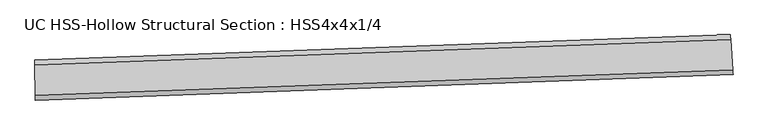
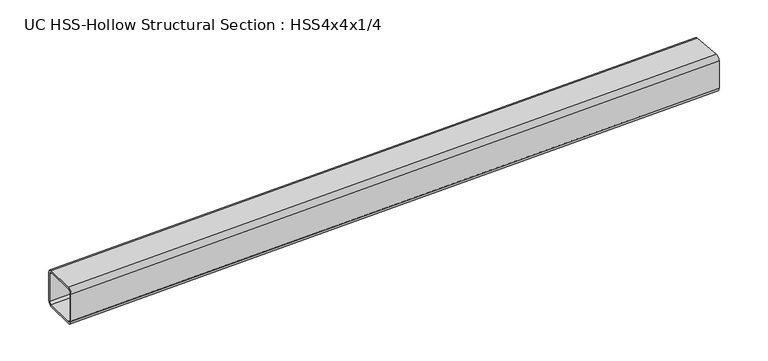
"""IFC4 building model written with IfcOpenShell, lengths in millimetres: beam geometry, UC HSS-Hollow Structural Section : HSS4x4x1/4."""

import ifcopenshell
import ifcopenshell.guid

model = None  # the IFC model being written
_history = None  # IfcOwnerHistory: only IFC2X3 demands one
_inside = {}  # id of a spatial element -> (the spatial element, [elements in it])
_under = {}  # id of a project, library or spatial element -> (it, [spatial elements below it])
_declared = {}  # id of a project -> (the project, [libraries it declares])
_typed = {}  # id of a type object -> (the type object, [elements of that type])
_made_of = {}  # id of a material, layer set ... -> (it, [elements and type objects made of it])


def new_model(schema):
    """Start an empty IFC model of exactly this schema.

    Asked for "IFC4X3", IfcOpenShell would pick the latest addendum, in which some entities
    have other attributes; the version numbers below select the first issue.
    IFC2X3 requires an IfcOwnerHistory on every rooted entity: one is made here for all.
    """
    global model, _history
    if schema == "IFC4X3":
        model = ifcopenshell.file(schema_version=(4, 3, 0, 0))
    else:
        model = ifcopenshell.file(schema=schema)
    _inside.clear()
    _under.clear()
    _declared.clear()
    _typed.clear()
    _made_of.clear()
    _history = None
    if model.schema == "IFC2X3":
        org = make("IfcOrganization", Name="unknown")
        user = make(
            "IfcPersonAndOrganization",
            ThePerson=make("IfcPerson", FamilyName="unknown"),
            TheOrganization=org,
        )
        app = make(
            "IfcApplication",
            ApplicationDeveloper=org,
            Version="unknown",
            ApplicationFullName="unknown",
            ApplicationIdentifier="unknown",
        )
        _history = make(
            "IfcOwnerHistory",
            OwningUser=user,
            OwningApplication=app,
            ChangeAction="ADDED",
            CreationDate=0,
        )
    return model


def make(cls, **values):
    """One entity of the class cls with the attributes given. An attribute that is None is left unset."""
    return model.create_entity(
        cls, **{name: value for name, value in values.items() if value is not None}
    )


def rooted(cls, **values):
    """An entity with a GlobalId (a new one), such as an element, a storey or a relation."""
    return make(cls, GlobalId=ifcopenshell.guid.new(), OwnerHistory=_history, **values)


def si_unit(unit_type, name, prefix=None):
    """IfcSIUnit, for example si_unit("LENGTHUNIT", "METRE", prefix="MILLI")."""
    return make("IfcSIUnit", UnitType=unit_type, Prefix=prefix, Name=name)


def assignment(units):
    """IfcUnitAssignment: the units of a project."""
    return None if units is None else make("IfcUnitAssignment", Units=units)


def point(xyz):
    """IfcCartesianPoint."""
    return None if xyz is None else make("IfcCartesianPoint", Coordinates=xyz)


def direction(xyz):
    """IfcDirection."""
    return None if xyz is None else make("IfcDirection", DirectionRatios=xyz)


def frame(location, z_axis=None, x_axis=None):
    """IfcAxis2Placement3D, a coordinate frame: its origin and axes. An axis left out is left unset."""
    return make(
        "IfcAxis2Placement3D",
        Location=point(location),
        Axis=direction(z_axis),
        RefDirection=direction(x_axis),
    )


def origin():
    """The frame at (0, 0, 0) with its axes left unset."""
    return frame((0.0, 0.0, 0.0))


def place(relative_to, where):
    """IfcLocalPlacement: puts the frame where relative to a parent placement (None: the world)."""
    return make(
        "IfcLocalPlacement", PlacementRelTo=relative_to, RelativePlacement=where
    )


def context(
    kind, dimensions, precision=None, world=None, true_north=None, identifier=None
):
    """IfcGeometricRepresentationContext, for example the 3D "Model" context."""
    return make(
        "IfcGeometricRepresentationContext",
        ContextIdentifier=identifier,
        ContextType=kind,
        CoordinateSpaceDimension=dimensions,
        Precision=precision,
        WorldCoordinateSystem=world,
        TrueNorth=true_north,
    )


def project(units=None, contexts=None):
    """IfcProject with its units and contexts."""
    return rooted(
        "IfcProject",
        Name="project",
        RepresentationContexts=contexts,
        UnitsInContext=assignment(units),
    )


def spatial(cls, under=None, at=None, **own):
    """A site, building, storey or space (cls), placed at a placement, below another one or the project."""
    s = rooted(cls, ObjectPlacement=at, **own)
    if under is not None:
        _under.setdefault(under.id(), (under, []))[1].append(s)
    return s


def polyline(points):
    """IfcPolyline through the points."""
    return make("IfcPolyline", Points=[point(p) for p in points])


def circle_curve(where, radius):
    """IfcCircle in the frame where."""
    return make("IfcCircle", Position=where, Radius=radius)


def ellipse_curve(where, semi_axis1, semi_axis2):
    """IfcEllipse in the frame where."""
    return make(
        "IfcEllipse", Position=where, SemiAxis1=semi_axis1, SemiAxis2=semi_axis2
    )


def trimmed(basis, trim1, trim2, sense, master):
    """IfcTrimmedCurve: the piece of a basis curve between two trims."""
    return make(
        "IfcTrimmedCurve",
        BasisCurve=basis,
        Trim1=trim1,
        Trim2=trim2,
        SenseAgreement=sense,
        MasterRepresentation=master,
    )


def shape(context_of_items, identifier, shape_type, items):
    """IfcShapeRepresentation: the items that make up one representation, for example the "Body"."""
    return make(
        "IfcShapeRepresentation",
        ContextOfItems=context_of_items,
        RepresentationIdentifier=identifier,
        RepresentationType=shape_type,
        Items=items,
    )


def source(mapping_origin, context_of_items, identifier, shape_type, items):
    """IfcRepresentationMap: a shape defined once, which mapped items show again and again."""
    return make(
        "IfcRepresentationMap",
        MappingOrigin=mapping_origin,
        MappedRepresentation=shape(context_of_items, identifier, shape_type, items),
    )


def transform(
    local_origin,
    x_axis=None,
    y_axis=None,
    z_axis=None,
    scale=None,
    scale2=None,
    scale3=None,
    uniform=True,
):
    """IfcCartesianTransformationOperator3D, or its non-uniform kind. x_axis, y_axis, z_axis: its Axis1, 2, 3."""
    if uniform:
        return make(
            "IfcCartesianTransformationOperator3D",
            Axis1=direction(x_axis),
            Axis2=direction(y_axis),
            LocalOrigin=point(local_origin),
            Scale=scale,
            Axis3=direction(z_axis),
        )
    return make(
        "IfcCartesianTransformationOperator3DnonUniform",
        Axis1=direction(x_axis),
        Axis2=direction(y_axis),
        LocalOrigin=point(local_origin),
        Scale=scale,
        Axis3=direction(z_axis),
        Scale2=scale2,
        Scale3=scale3,
    )


def mapped(mapping_source, mapping_target):
    """IfcMappedItem: shows the shape of a source again, moved by a transform."""
    return make(
        "IfcMappedItem", MappingSource=mapping_source, MappingTarget=mapping_target
    )


def made_of(thing, what):
    """Note that an element or type object is made of a material, layer set ...; save() writes the relation."""
    if what is not None:
        _made_of.setdefault(what.id(), (what, []))[1].append(thing)
    return thing


def element(
    cls,
    number,
    at=None,
    inside=None,
    cuts=None,
    type_object=None,
    material=None,
    context=None,
    identifier="Body",
    shape_type=None,
    held_by="IfcProductDefinitionShape",
    body=None,
    shapes=None,
    **own,
):
    """One element of the class cls, such as IfcWall. Its Tag is "e" and its number.

    at: its placement. inside: the storey or other place that contains it. cuts: it is an
    opening in that element (IfcRelVoidsElement). A single representation is given by context,
    identifier, shape_type and body (its items); several are given by shapes. held_by: the class
    of the entity that holds the representations. save() writes the other relations.
    """
    e = rooted(cls, Tag="e%d" % number, ObjectPlacement=at, **own)
    if body is not None:
        shapes = [shape(context, identifier, shape_type, body)]
    if shapes is not None:
        e.Representation = make(held_by, Representations=shapes)
    if inside is not None:
        _inside.setdefault(inside.id(), (inside, []))[1].append(e)
    if cuts is not None:
        rooted(
            "IfcRelVoidsElement", RelatingBuildingElement=cuts, RelatedOpeningElement=e
        )
    if type_object is not None:
        _typed.setdefault(type_object.id(), (type_object, []))[1].append(e)
    return made_of(e, material)


def aggregate(whole, parts):
    """IfcRelAggregates: a whole, such as a stair, and the parts it consists of."""
    return rooted("IfcRelAggregates", RelatingObject=whole, RelatedObjects=parts)


def save(model, path):
    """Write the relations noted so far, then the file.

    IfcRelAggregates (storeys below a building ...), IfcRelContainedInSpatialStructure (elements
    in a storey), IfcRelDefinesByType, IfcRelAssociatesMaterial and IfcRelDeclares: one each for
    every whole, place, type object, material and project.
    """
    for whole, parts in _under.values():
        aggregate(whole, parts)
    for where, things in _inside.values():
        rooted(
            "IfcRelContainedInSpatialStructure",
            RelatedElements=things,
            RelatingStructure=where,
        )
    for kind, things in _typed.values():
        rooted("IfcRelDefinesByType", RelatedObjects=things, RelatingType=kind)
    for what, things in _made_of.values():
        rooted("IfcRelAssociatesMaterial", RelatedObjects=things, RelatingMaterial=what)
    for by, libraries in _declared.values():
        rooted("IfcRelDeclares", RelatingContext=by, RelatedDefinitions=libraries)
    model.write(path)


def plane_surface(at):
    """IfcPlane: the flat surface through the origin of the frame at, square to its z axis."""
    return make("IfcPlane", Position=at)


def cylinder_surface(at, radius):
    """IfcCylindricalSurface: all points at the distance radius from the z axis of the frame at."""
    return make("IfcCylindricalSurface", Position=at, Radius=radius)


def revolved_surface(curve, axis_point, axis_direction):
    """IfcSurfaceOfRevolution: the curve turned about the line through axis_point along axis_direction."""
    return make(
        "IfcSurfaceOfRevolution",
        SweptCurve=make("IfcArbitraryOpenProfileDef", ProfileType="CURVE", Curve=curve),
        AxisPosition=make("IfcAxis1Placement", Location=point(axis_point), Axis=direction(axis_direction)),
    )


def advanced_brep(points, edges, surfaces, faces):
    """IfcAdvancedBrep: a solid bounded by faces that lie on surfaces and meet in shared edges.

    An edge is (start, end): straight between two places in points (the first is 0);
    or (start, end, curve); or (start, end, curve, False) where it runs against its curve.
    A face is (place in surfaces, loops), or (place, loops, False) where it looks against
    its surface's normal. A loop lists edges by number (the first is 1), with a minus sign
    where the edge is run from its end to its start. The first loop is the outer one.
    """
    corners = [point(p) for p in points]
    vertices = [make("IfcVertexPoint", VertexGeometry=c) for c in corners]
    made = []
    for start, end, *more in edges:
        made.append(
            make(
                "IfcEdgeCurve",
                EdgeStart=vertices[start],
                EdgeEnd=vertices[end],
                EdgeGeometry=more[0] if more else make("IfcPolyline", Points=[corners[start], corners[end]]),
                SameSense=more[1] if len(more) > 1 else True,
            )
        )
    hull = []
    for where, loops, *sense in faces:
        bounds = []
        for j, loop in enumerate(loops):
            ring = [make("IfcOrientedEdge", EdgeElement=made[abs(k) - 1], Orientation=k > 0) for k in loop]
            bounds.append(
                make(
                    "IfcFaceOuterBound" if j == 0 else "IfcFaceBound",
                    Bound=make("IfcEdgeLoop", EdgeList=ring),
                    Orientation=True,
                )
            )
        hull.append(make("IfcAdvancedFace", Bounds=bounds, FaceSurface=surfaces[where], SameSense=sense[0] if sense else True))
    return make("IfcAdvancedBrep", Outer=make("IfcClosedShell", CfsFaces=hull))


def uc_hss_hollow_structural_section_hss4x4x1_4_acbbf9b6(model_context):
    return source(origin(), model_context, "Body", "AdvancedBrep", [
        advanced_brep(
        [(1847.8380349, 14.3411411, 38.9636), (1847.8380349, 14.3411411, -38.9636), (1847.0045424, 26.1481583, -50.8), (1841.5170852, 103.8819111, -50.8), (1840.6835927, 115.6889283, -38.9636), (1840.6835927, 115.6889283, 38.9636), (1841.5170852, 103.8819111, 50.8), (1847.0045424, 26.1481583, 50.8), (1841.5170852, 103.8819111, 44.8818), (1841.100339, 109.7854197, 38.9636), (1841.100339, 109.7854197, -38.9636), (1841.5170852, 103.8819111, -44.8818), (1847.0045424, 26.1481583, -44.8818), (1847.4212887, 20.2446497, -38.9636), (1847.4212887, 20.2446497, 38.9636), (1847.0045424, 26.1481583, 44.8818), (79.1951311, -50.680495, 38.9636), (79.159409, -38.8441489, 50.8), (78.9242261, 39.0826962, 50.8), (78.8885041, 50.9190423, 38.9636), (78.8885041, 50.9190423, -38.9636), (78.9242261, 39.0826962, -50.8), (79.159409, -38.8441489, -50.8), (79.1951311, -50.680495, -38.9636), (78.9242261, 39.0826962, 44.8818), (79.159409, -38.8441489, 44.8818), (79.1772701, -44.7623219, 38.9636), (79.1772701, -44.7623219, -38.9636), (79.159409, -38.8441489, -44.8818), (78.9242261, 39.0826962, -44.8818), (78.9063651, 45.0008693, -38.9636), (78.9063651, 45.0008693, 38.9636)],
        [
            (0, 1),
            (1, 2, circle_curve(frame((1847.0045424, 26.1481583, -38.9636), z_axis=(0.9975175898845683, 0.070417738325526, 0.0), x_axis=(-0.070417738325526, 0.9975175898845683, 0.0)), 11.8364)),
            (2, 3),
            (3, 4, circle_curve(frame((1841.5170852, 103.8819111, -38.9636), z_axis=(0.9975175898845683, 0.070417738325526, 0.0), x_axis=(-0.070417738325526, 0.9975175898845683, 0.0)), 11.8364)),
            (4, 5),
            (5, 6, circle_curve(frame((1841.5170852, 103.8819111, 38.9636), z_axis=(0.9975175898845683, 0.070417738325526, 0.0), x_axis=(-0.070417738325526, 0.9975175898845683, 0.0)), 11.8364)),
            (6, 7),
            (7, 0, circle_curve(frame((1847.0045424, 26.1481583, 38.9636), z_axis=(0.9975175898845683, 0.070417738325526, 0.0), x_axis=(-0.070417738325526, 0.9975175898845683, 0.0)), 11.8364)),
            (8, 9, circle_curve(frame((1841.5170852, 103.8819111, 38.9636), z_axis=(-0.9975175898845683, -0.070417738325526, 0.0), x_axis=(-0.070417738325526, 0.9975175898845683, 0.0)), 5.9182)),
            (9, 10),
            (10, 11, circle_curve(frame((1841.5170852, 103.8819111, -38.9636), z_axis=(-0.9975175898845683, -0.070417738325526, 0.0), x_axis=(-0.070417738325526, 0.9975175898845683, 0.0)), 5.9182)),
            (11, 12),
            (12, 13, circle_curve(frame((1847.0045424, 26.1481583, -38.9636), z_axis=(-0.9975175898845683, -0.070417738325526, 0.0), x_axis=(-0.070417738325526, 0.9975175898845683, 0.0)), 5.9182)),
            (13, 14),
            (14, 15, circle_curve(frame((1847.0045424, 26.1481583, 38.9636), z_axis=(-0.9975175898845683, -0.070417738325526, 0.0), x_axis=(-0.070417738325526, 0.9975175898845683, 0.0)), 5.9182)),
            (15, 8),
            (16, 17, circle_curve(frame((79.159409, -38.8441489, 38.9636), z_axis=(-0.9999954458818099, -0.003017982047700596, 0.0), x_axis=(-0.003017982047700596, 0.9999954458818099, 0.0)), 11.8364)),
            (17, 18),
            (18, 19, circle_curve(frame((78.9242261, 39.0826962, 38.9636), z_axis=(-0.9999954458818099, -0.003017982047700596, 0.0), x_axis=(-0.003017982047700596, 0.9999954458818099, 0.0)), 11.8364)),
            (19, 20),
            (20, 21, circle_curve(frame((78.9242261, 39.0826962, -38.9636), z_axis=(-0.9999954458818099, -0.003017982047700596, 0.0), x_axis=(-0.003017982047700596, 0.9999954458818099, 0.0)), 11.8364)),
            (21, 22),
            (22, 23, circle_curve(frame((79.159409, -38.8441489, -38.9636), z_axis=(-0.9999954458818099, -0.003017982047700596, 0.0), x_axis=(-0.003017982047700596, 0.9999954458818099, 0.0)), 11.8364)),
            (23, 16),
            (24, 25),
            (25, 26, circle_curve(frame((79.159409, -38.8441489, 38.9636), z_axis=(0.9999954458818099, 0.003017982047700596, 0.0), x_axis=(-0.003017982047700596, 0.9999954458818099, 0.0)), 5.9182)),
            (26, 27),
            (27, 28, circle_curve(frame((79.159409, -38.8441489, -38.9636), z_axis=(0.9999954458818099, 0.003017982047700596, 0.0), x_axis=(-0.003017982047700596, 0.9999954458818099, 0.0)), 5.9182)),
            (28, 29),
            (29, 30, circle_curve(frame((78.9242261, 39.0826962, -38.9636), z_axis=(0.9999954458818099, 0.003017982047700596, 0.0), x_axis=(-0.003017982047700596, 0.9999954458818099, 0.0)), 5.9182)),
            (30, 31),
            (31, 24, circle_curve(frame((78.9242261, 39.0826962, 38.9636), z_axis=(0.9999954458818099, 0.003017982047700596, 0.0), x_axis=(-0.003017982047700596, 0.9999954458818099, 0.0)), 5.9182)),
            (7, 17, circle_curve(frame((0.0, 26190.2875283, 50.8), z_axis=(0.0, 0.0, -1.0), x_axis=(-0.33127345416597864, 0.9435347892711435, 0.0)), 26229.2511283)),
            (16, 0, circle_curve(frame((0.0, 26190.2875283, 38.9636), z_axis=(0.0, 0.0, 1.0), x_axis=(-0.33127345416597864, 0.9435347892711435, 0.0)), 26241.0875283)),
            (6, 18, circle_curve(frame((0.0, 26190.2875283, 50.8), z_axis=(0.0, 0.0, -1.0), x_axis=(-0.33127345416597864, 0.9435347892711435, 0.0)), 26151.3239283)),
            (5, 19, circle_curve(frame((0.0, 26190.2875283, 38.9636), z_axis=(0.0, 0.0, -1.0), x_axis=(-0.33127345416597864, 0.9435347892711435, 0.0)), 26139.4875283)),
            (4, 20, circle_curve(frame((0.0, 26190.2875283, -38.9636), z_axis=(0.0, 0.0, -1.0), x_axis=(-0.33127345416597864, 0.9435347892711435, 0.0)), 26139.4875283)),
            (3, 21, circle_curve(frame((0.0, 26190.2875283, -50.8), z_axis=(0.0, 0.0, -1.0), x_axis=(-0.33127345416597864, 0.9435347892711435, 0.0)), 26151.3239283)),
            (2, 22, circle_curve(frame((0.0, 26190.2875283, -50.8), z_axis=(0.0, 0.0, -1.0), x_axis=(-0.33127345416597864, 0.9435347892711435, 0.0)), 26229.2511283)),
            (1, 23, circle_curve(frame((0.0, 26190.2875283, -38.9636), z_axis=(0.0, 0.0, -1.0), x_axis=(-0.33127345416597864, 0.9435347892711435, 0.0)), 26241.0875283)),
            (15, 25, circle_curve(frame((0.0, 26190.2875283, 44.8818), z_axis=(0.0, 0.0, -1.0), x_axis=(-0.33127345416597864, 0.9435347892711435, 0.0)), 26229.2511283)),
            (24, 8, circle_curve(frame((0.0, 26190.2875283, 44.8818), z_axis=(0.0, 0.0, 1.0), x_axis=(-0.33127345416597864, 0.9435347892711435, 0.0)), 26151.3239283)),
            (14, 26, circle_curve(frame((0.0, 26190.2875283, 38.9636), z_axis=(0.0, 0.0, -1.0), x_axis=(-0.33127345416597864, 0.9435347892711435, 0.0)), 26235.1693283)),
            (13, 27, circle_curve(frame((0.0, 26190.2875283, -38.9636), z_axis=(0.0, 0.0, -1.0), x_axis=(-0.33127345416597864, 0.9435347892711435, 0.0)), 26235.1693283)),
            (12, 28, circle_curve(frame((0.0, 26190.2875283, -44.8818), z_axis=(0.0, 0.0, -1.0), x_axis=(-0.33127345416597864, 0.9435347892711435, 0.0)), 26229.2511283)),
            (11, 29, circle_curve(frame((0.0, 26190.2875283, -44.8818), z_axis=(0.0, 0.0, -1.0), x_axis=(-0.33127345416597864, 0.9435347892711435, 0.0)), 26151.3239283)),
            (10, 30, circle_curve(frame((0.0, 26190.2875283, -38.9636), z_axis=(0.0, 0.0, -1.0), x_axis=(-0.33127345416597864, 0.9435347892711435, 0.0)), 26145.4057283)),
            (9, 31, circle_curve(frame((0.0, 26190.2875283, 38.9636), z_axis=(0.0, 0.0, -1.0), x_axis=(-0.33127345416597864, 0.9435347892711435, 0.0)), 26145.4057283)),
        ],
        [
            plane_surface(frame((1844.2608138, 65.0150347, 0.0), z_axis=(0.9975175898845678, 0.07041773832553244, 0.0), x_axis=(0.0, 0.0, 1.0))),
            plane_surface(frame((79.0418176, 0.1192737, 0.0), z_axis=(-0.9999954458818099, -0.003017982047707091, 0.0), x_axis=(0.0, 0.0, 1.0))),
            revolved_surface(trimmed(ellipse_curve(frame((-8689.0546215, 50938.4984643, 38.9636), z_axis=(-0.9435347892711456, -0.3312734541659726, 0.0), x_axis=(0.3312734541659726, -0.9435347892711456, 0.0)), 11.8364, 11.8364), [point((-8689.0546215, 50938.4984643, 50.8))], [point((-8692.9757066, 50949.6665195, 38.9636))], True, "CARTESIAN"), (0.0, 26190.2875283, 0.0), (0.0, 0.0, -1.0)),
            plane_surface(frame((0.0, 26190.2875283, 50.8), z_axis=(0.0, 0.0, 1.0), x_axis=(-0.33127345416597864, 0.9435347892711435, 0.0))),
            revolved_surface(trimmed(ellipse_curve(frame((-8663.2394087, 50864.9714401, 38.9636), z_axis=(-0.9435347892711456, -0.3312734541659726, 0.0), x_axis=(0.3312734541659726, -0.9435347892711456, 0.0)), 11.8364, 11.8364), [point((-8659.3183236, 50853.8033849, 38.9636))], [point((-8663.2394087, 50864.9714401, 50.8))], True, "CARTESIAN"), (0.0, 26190.2875283, 0.0), (0.0, 0.0, -1.0)),
            revolved_surface(polyline([(-8659.31832362846, 50853.803384970226, -38.9636), (-8659.31832362846, 50853.803384970226, 38.9636)]), (0.0, 26190.2875283, 0.0), (0.0, 0.0, -1.0)),
            revolved_surface(trimmed(ellipse_curve(frame((-8663.2394087, 50864.9714401, -38.9636), z_axis=(-0.9435347892711456, -0.3312734541659726, 0.0), x_axis=(0.3312734541659726, -0.9435347892711456, 0.0)), 11.8364, 11.8364), [point((-8663.2394087, 50864.9714401, -50.8))], [point((-8659.3183236, 50853.8033849, -38.9636))], True, "CARTESIAN"), (0.0, 26190.2875283, 0.0), (0.0, 0.0, -1.0)),
            plane_surface(frame((0.0, 26190.2875283, -50.8), z_axis=(0.0, 0.0, -1.0), x_axis=(-0.33127345416597864, 0.9435347892711435, 0.0))),
            revolved_surface(trimmed(ellipse_curve(frame((-8689.0546215, 50938.4984643, -38.9636), z_axis=(-0.9435347892711456, -0.3312734541659726, 0.0), x_axis=(0.3312734541659726, -0.9435347892711456, 0.0)), 11.8364, 11.8364), [point((-8692.9757066, 50949.6665195, -38.9636))], [point((-8689.0546215, 50938.4984643, -50.8))], True, "CARTESIAN"), (0.0, 26190.2875283, 0.0), (0.0, 0.0, -1.0)),
            cylinder_surface(frame((0.0, 26190.2875283, 0.0), z_axis=(0.0, 0.0, -1.0), x_axis=(-0.33127345416597864, 0.9435347892711435, 0.0)), 26241.0875283),
            plane_surface(frame((0.0, 26190.2875283, 44.8818), z_axis=(0.0, 0.0, -1.0), x_axis=(-0.33127345416597864, 0.9435347892711435, 0.0))),
            revolved_surface(trimmed(ellipse_curve(frame((-8689.0546215, 50938.4984643, 38.9636), z_axis=(0.9435347892711456, 0.3312734541659726, 0.0), x_axis=(0.3312734541659726, -0.9435347892711456, 0.0)), 5.9182, 5.9182), [point((-8691.015164, 50944.0824919, 38.9636))], [point((-8689.0546215, 50938.4984643, 44.8818))], True, "CARTESIAN"), (0.0, 26190.2875283, 0.0), (0.0, 0.0, -1.0)),
            revolved_surface(polyline([(-8691.015164015278, 50944.08249197031, -38.9636), (-8691.015164015278, 50944.08249197031, 38.9636)]), (0.0, 26190.2875283, 0.0), (0.0, 0.0, -1.0)),
            revolved_surface(trimmed(ellipse_curve(frame((-8689.0546215, 50938.4984643, -38.9636), z_axis=(0.9435347892711456, 0.3312734541659726, 0.0), x_axis=(0.3312734541659726, -0.9435347892711456, 0.0)), 5.9182, 5.9182), [point((-8689.0546215, 50938.4984643, -44.8818))], [point((-8691.015164, 50944.0824919, -38.9636))], True, "CARTESIAN"), (0.0, 26190.2875283, 0.0), (0.0, 0.0, -1.0)),
            plane_surface(frame((0.0, 26190.2875283, -44.8818), z_axis=(0.0, 0.0, 1.0), x_axis=(-0.33127345416597864, 0.9435347892711435, 0.0))),
            revolved_surface(trimmed(ellipse_curve(frame((-8663.2394087, 50864.9714401, -38.9636), z_axis=(0.9435347892711456, 0.3312734541659726, 0.0), x_axis=(0.3312734541659726, -0.9435347892711456, 0.0)), 5.9182, 5.9182), [point((-8661.2788662, 50859.3874125, -38.9636))], [point((-8663.2394087, 50864.9714401, -44.8818))], True, "CARTESIAN"), (0.0, 26190.2875283, 0.0), (0.0, 0.0, -1.0)),
            cylinder_surface(frame((0.0, 26190.2875283, 0.0), z_axis=(0.0, 0.0, -1.0), x_axis=(-0.33127345416597864, 0.9435347892711435, 0.0)), 26145.4057283),
            revolved_surface(trimmed(ellipse_curve(frame((-8663.2394087, 50864.9714401, 38.9636), z_axis=(0.9435347892711456, 0.3312734541659726, 0.0), x_axis=(0.3312734541659726, -0.9435347892711456, 0.0)), 5.9182, 5.9182), [point((-8663.2394087, 50864.9714401, 44.8818))], [point((-8661.2788662, 50859.3874125, 38.9636))], True, "CARTESIAN"), (0.0, 26190.2875283, 0.0), (0.0, 0.0, -1.0)),
        ],
        [
            (0, [[1, 2, 3, 4, 5, 6, 7, 8], [9, 10, 11, 12, 13, 14, 15, 16]]),
            (1, [[17, 18, 19, 20, 21, 22, 23, 24], [25, 26, 27, 28, 29, 30, 31, 32]]),
            (2, [[33, -17, 34, -8]]),
            (3, [[35, -18, -33, -7]]),
            (4, [[36, -19, -35, -6]]),
            (5, [[37, -20, -36, -5]]),
            (6, [[38, -21, -37, -4]]),
            (7, [[39, -22, -38, -3]]),
            (8, [[40, -23, -39, -2]]),
            (9, [[-34, -24, -40, -1]]),
            (10, [[41, -25, 42, -16]]),
            (11, [[43, -26, -41, -15]]),
            (12, [[44, -27, -43, -14]]),
            (13, [[45, -28, -44, -13]]),
            (14, [[46, -29, -45, -12]]),
            (15, [[47, -30, -46, -11]]),
            (16, [[48, -31, -47, -10]]),
            (17, [[-42, -32, -48, -9]]),
        ],
    ),
    ])


if __name__ == "__main__":
    model = new_model("IFC4")
    model_context = context("Model", 3, world=origin())
    ifc_project = project(units=[si_unit("LENGTHUNIT", "METRE", prefix="MILLI")], contexts=[model_context])
    site = spatial("IfcSite", under=ifc_project)
    building = spatial("IfcBuilding", under=site)
    placement = place(None, origin())
    uc_hss_hollow_structural_section_hss4x4x1_4_shape = uc_hss_hollow_structural_section_hss4x4x1_4_acbbf9b6(model_context)
    element("IfcBeam", 1, ObjectType="UC HSS-Hollow Structural Section : HSS4x4x1/4", at=placement, inside=building, context=model_context, shape_type="MappedRepresentation", body=[
        mapped(uc_hss_hollow_structural_section_hss4x4x1_4_shape, transform((0.0, 0.0, 0.0), x_axis=(1.0, 0.0, 0.0), y_axis=(0.0, 1.0, 0.0), z_axis=(0.0, 0.0, 1.0))),
    ])
    save(model, "model.ifc")
